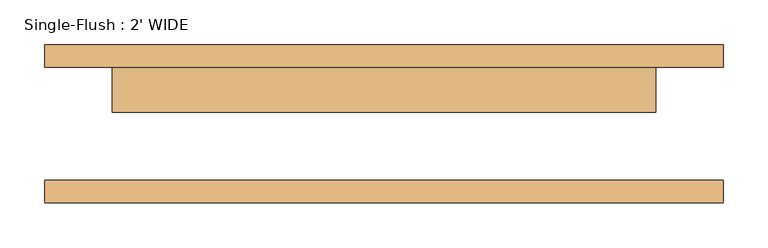
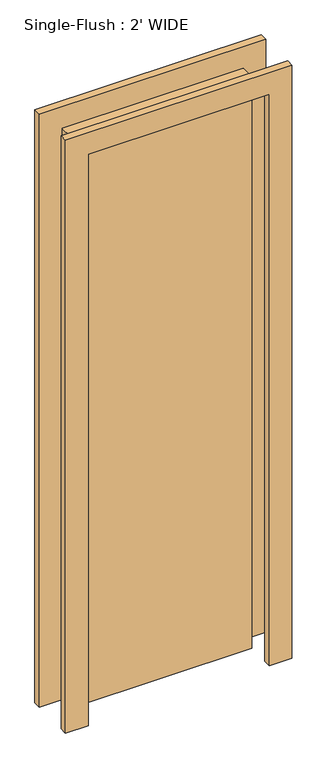
"""IFC4 building model written with IfcOpenShell, lengths in millimetres: door geometry, Single-Flush : 2' WIDE."""

from ifc_helpers import new_model, si_unit, frame, origin, origin_with_axes, place, context, project, spatial, polyline, outline, extrude, source, transform, mapped, element, save


def single_flush_2_wide_025d1c86(model_context):
    return source(origin(), model_context, "Body", "SweptSolid", [
        extrude(outline(polyline([(2108.2, -381.0), (0.0, -381.0), (0.0, -304.8), (2032.0, -304.8), (2032.0, 304.8), (0.0, 304.8), (0.0, 381.0), (2108.2, 381.0), (2108.2, -381.0)])), frame((0.0, 63.5, 0.0), z_axis=(0.0, 1.0, 0.0), x_axis=(0.0, 0.0, 1.0)), (0.0, 0.0, 1.0), 25.4),
        extrude(outline(polyline([(2108.2, 381.0), (2108.2, -381.0), (0.0, -381.0), (0.0, -304.8), (2032.0, -304.8), (2032.0, 304.8), (0.0, 304.8), (0.0, 381.0), (2108.2, 381.0)])), frame((0.0, -88.9, 0.0), z_axis=(0.0, 1.0, 0.0), x_axis=(0.0, 0.0, 1.0)), (0.0, 0.0, 1.0), 25.4),
        extrude(outline(polyline([(304.8, 12.7), (-304.8, 12.7), (-304.8, 63.5), (304.8, 63.5), (304.8, 12.7)])), origin_with_axes(), (0.0, 0.0, 1.0), 2032.0),
    ])


if __name__ == "__main__":
    model = new_model("IFC4")
    model_context = context("Model", 3, world=origin())
    ifc_project = project(units=[si_unit("LENGTHUNIT", "METRE", prefix="MILLI")], contexts=[model_context])
    site = spatial("IfcSite", under=ifc_project)
    building = spatial("IfcBuilding", under=site)
    placement = place(None, origin())
    single_flush_2_wide_shape = single_flush_2_wide_025d1c86(model_context)
    element("IfcDoor", 1, ObjectType="Single-Flush : 2' WIDE", at=placement, inside=building, context=model_context, shape_type="MappedRepresentation", body=[
        mapped(single_flush_2_wide_shape, transform((0.0, 0.0, 0.0), x_axis=(1.0, 0.0, 0.0), y_axis=(0.0, 1.0, 0.0), z_axis=(0.0, 0.0, 1.0))),
    ])
    save(model, "model.ifc")
